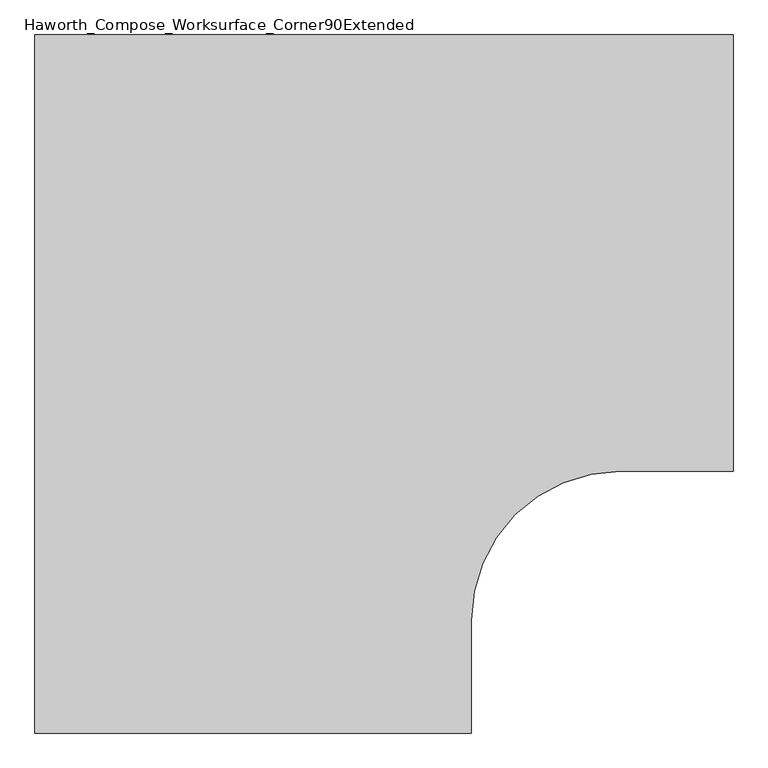
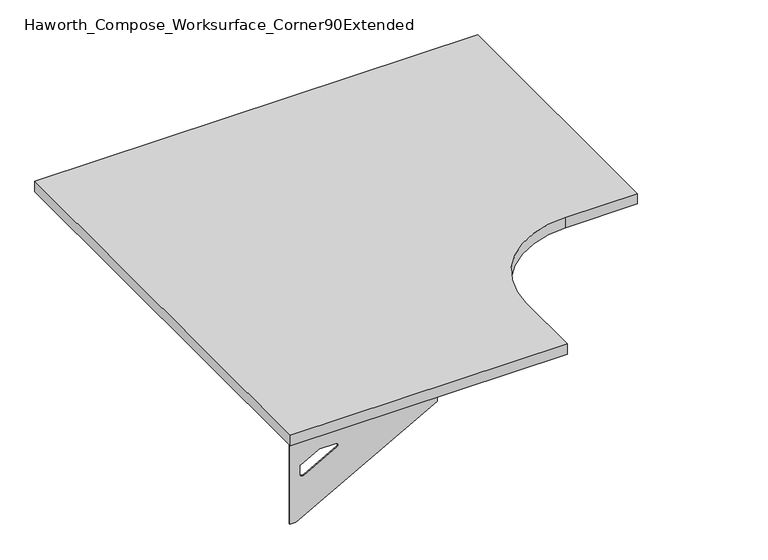
"""IFC4 building model written with IfcOpenShell, lengths in millimetres: furniture geometry, Haworth_Compose_Worksurface_Corner90Extended."""

from ifc_helpers import new_model, si_unit, point, frame, frame_2d, origin, place, context, project, spatial, polyline, circle_curve, trimmed, segment, composite_curve, outline, extrude, source, transform, mapped, element, save
from ifc_brep_helpers import plane_surface, revolved_surface, advanced_brep


def haworth_compose_worksurface_corner90extended_9c84bb28(model_context):
    return source(origin(), model_context, "Body", "SolidModel", [
        advanced_brep(
        [(756.44375, 228.6, 475.45625), (756.44375, 212.725, 475.45625), (756.44375, -177.8, 691.7192568), (756.44375, -177.8, 704.05625), (756.44375, 212.725, 704.05625), (756.44375, 228.6, 704.05625), (756.44375, 145.290072, 665.95625), (756.44375, 101.6355284, 665.95625), (756.44375, 98.9564235, 656.3705539), (756.44375, 190.6776173, 605.5776439), (756.44375, 200.025, 611.1756969), (756.44375, 200.025, 634.6860246), (756.44375, 198.2730055, 637.5242776), (756.44375, 148.3663437, 665.1613425), (758.825, 228.6, 475.45625), (758.825, 228.6, 704.05625), (758.825, 212.725, 704.05625), (758.825, 212.725, 706.4375), (758.825, -177.8, 706.4375), (758.825, -177.8, 691.7192568), (758.825, 212.725, 475.45625), (758.825, 145.290072, 665.95625), (758.825, 148.3663437, 665.1613425), (758.825, 198.2730055, 637.5242776), (758.825, 200.025, 634.6860246), (758.825, 200.025, 611.1756969), (758.825, 190.6776173, 605.5776439), (758.825, 98.9564235, 656.3705539), (758.825, 101.6355284, 665.95625), (717.55, -177.8, 706.4375), (717.55, -177.8, 704.05625), (717.55, 212.725, 704.05625), (717.55, 212.725, 706.4375)],
        [
            (0, 1),
            (1, 2),
            (2, 3),
            (3, 4),
            (4, 5),
            (5, 0),
            (6, 7),
            (7, 8, circle_curve(frame((756.44375, 101.6355284, 660.7890106), z_axis=(1.0, 0.0, 0.0), x_axis=(0.0, -1.0, 0.0)), 5.1672394)),
            (8, 9),
            (9, 10, circle_curve(frame((756.44375, 193.675, 611.1756969), z_axis=(1.0, 0.0, 0.0), x_axis=(0.0, -1.0, 0.0)), 6.35)),
            (10, 11),
            (11, 12, circle_curve(frame((756.44375, 196.85, 634.6860246), z_axis=(1.0, 0.0, 0.0), x_axis=(0.0, -1.0, 0.0)), 3.175)),
            (12, 13),
            (13, 6, circle_curve(frame((756.44375, 145.290072, 659.60625), z_axis=(1.0, 0.0, 0.0), x_axis=(0.0, -1.0, 0.0)), 6.35)),
            (14, 15),
            (15, 16),
            (16, 17),
            (17, 18),
            (18, 19),
            (19, 20),
            (20, 14),
            (21, 22, circle_curve(frame((758.825, 145.290072, 659.60625), z_axis=(-1.0, 0.0, 0.0), x_axis=(0.0, -1.0, 0.0)), 6.35)),
            (22, 23),
            (23, 24, circle_curve(frame((758.825, 196.85, 634.6860246), z_axis=(-1.0, 0.0, 0.0), x_axis=(0.0, -1.0, 0.0)), 3.175)),
            (24, 25),
            (25, 26, circle_curve(frame((758.825, 193.675, 611.1756969), z_axis=(-1.0, 0.0, 0.0), x_axis=(0.0, -1.0, 0.0)), 6.35)),
            (26, 27),
            (27, 28, circle_curve(frame((758.825, 101.6355284, 660.7890106), z_axis=(-1.0, 0.0, 0.0), x_axis=(0.0, -1.0, 0.0)), 5.1672394)),
            (28, 21),
            (4, 16),
            (15, 5),
            (14, 0),
            (20, 1),
            (19, 2),
            (18, 29),
            (29, 30),
            (30, 3),
            (6, 21),
            (28, 7),
            (9, 26),
            (25, 10),
            (24, 11),
            (23, 12),
            (27, 8),
            (31, 4),
            (30, 31),
            (32, 29),
            (17, 32),
            (31, 32),
            (22, 13),
        ],
        [
            plane_surface(frame((756.44375, 228.6, 475.45625), z_axis=(-1.0, 0.0, 0.0), x_axis=(0.0, 1.0, 0.0))),
            plane_surface(frame((758.825, 228.6, 475.45625), z_axis=(1.0, 0.0, 0.0), x_axis=(0.0, -1.0, 0.0))),
            plane_surface(frame((758.825, -177.8, 704.05625), z_axis=(0.0, 0.0, 1.0), x_axis=(-1.0, 0.0, 0.0))),
            plane_surface(frame((758.825, 228.6, 704.05625), z_axis=(0.0, 1.0, 0.0), x_axis=(-1.0, 0.0, 0.0))),
            plane_surface(frame((758.825, 228.6, 475.45625), z_axis=(0.0, 0.0, -1.0), x_axis=(-1.0, 0.0, 0.0))),
            plane_surface(frame((758.825, 212.725, 475.45625), z_axis=(0.0, -0.4844522351345575, -0.8748177135112957), x_axis=(-1.0, 0.0, 0.0))),
            plane_surface(frame((758.825, -177.8, 691.7192568), z_axis=(0.0, -1.0, 0.0), x_axis=(-1.0, 0.0, 0.0))),
            plane_surface(frame((758.825, 145.290072, 665.95625), z_axis=(0.0, 0.0, -1.0), x_axis=(-1.0, 0.0, 0.0))),
            revolved_surface(polyline([(756.44375, 187.32500000000002, 611.1756969), (758.825, 187.32500000000002, 611.1756969)]), (758.825, 193.675, 611.1756969), (-1.0, 0.0, 0.0)),
            plane_surface(frame((758.825, 200.025, 611.1756969), z_axis=(0.0, -1.0, 0.0), x_axis=(-1.0, 0.0, 0.0))),
            revolved_surface(polyline([(756.44375, 193.67499999999998, 634.6860246), (758.825, 193.67499999999998, 634.6860246)]), (758.825, 196.85, 634.6860246), (-1.0, 0.0, 0.0)),
            revolved_surface(polyline([(756.44375, 96.468289, 660.7890106), (758.825, 96.468289, 660.7890106)]), (758.825, 101.6355284, 660.7890106), (-1.0, 0.0, 0.0)),
            plane_surface(frame((758.825, 212.725, 704.05625), z_axis=(0.0, 0.0, -1.0), x_axis=(-1.0, 0.0, 0.0))),
            plane_surface(frame((758.825, 212.725, 706.4375), z_axis=(0.0, 0.0, 1.0), x_axis=(1.0, 0.0, 0.0))),
            plane_surface(frame((717.55, 212.725, 706.4375), z_axis=(0.0, 1.0, 0.0), x_axis=(0.0, 0.0, -1.0))),
            plane_surface(frame((717.55, -177.8, 706.4375), z_axis=(-1.0, 0.0, 0.0), x_axis=(0.0, 0.0, -1.0))),
            plane_surface(frame((758.825, 98.9564235, 656.3705539), z_axis=(0.0, 0.4844522351341526, 0.8748177135115199), x_axis=(-1.0, 0.0, 0.0))),
            plane_surface(frame((758.825, 198.2730055, 637.5242776), z_axis=(0.0, -0.48445223513456226, -0.874817713511293), x_axis=(-1.0, 0.0, 0.0))),
            revolved_surface(polyline([(756.44375, 138.94007200000001, 659.60625), (758.825, 138.94007200000001, 659.60625)]), (758.825, 145.290072, 659.60625), (-1.0, 0.0, 0.0)),
        ],
        [
            (0, [[1, 2, 3, 4, 5, 6], [7, 8, 9, 10, 11, 12, 13, 14]]),
            (1, [[15, 16, 17, 18, 19, 20, 21], [22, 23, 24, 25, 26, 27, 28, 29]]),
            (2, [[-5, 30, -16, 31]]),
            (3, [[-31, -15, 32, -6]]),
            (4, [[-32, -21, 33, -1]]),
            (5, [[-33, -20, 34, -2]]),
            (6, [[-34, -19, 35, 36, 37, -3]]),
            (7, [[38, -29, 39, -7]]),
            (8, [[40, -26, 41, -10]]),
            (9, [[-41, -25, 42, -11]]),
            (10, [[-42, -24, 43, -12]]),
            (11, [[-39, -28, 44, -8]]),
            (12, [[45, -4, -37, 46]]),
            (13, [[47, -35, -18, 48]]),
            (14, [[-17, -30, -45, 49, -48]]),
            (15, [[-36, -47, -49, -46]]),
            (16, [[-44, -27, -40, -9]]),
            (17, [[-43, -23, 50, -13]]),
            (18, [[-50, -22, -38, -14]]),
        ],
    ),
        advanced_brep(
        [(-457.2, -985.04375, 475.45625), (-457.2, -985.04375, 704.05625), (-441.325, -985.04375, 704.05625), (-50.8, -985.04375, 704.05625), (-50.8, -985.04375, 691.7192568), (-441.325, -985.04375, 475.45625), (-373.890072, -985.04375, 665.95625), (-376.9663437, -985.04375, 665.1613425), (-426.8730055, -985.04375, 637.5242776), (-428.625, -985.04375, 634.6860246), (-428.625, -985.04375, 611.1756969), (-419.2776173, -985.04375, 605.5776439), (-327.5564235, -985.04375, 656.3705539), (-330.2355284, -985.04375, 665.95625), (-457.2, -987.425, 475.45625), (-441.325, -987.425, 475.45625), (-50.8, -987.425, 691.7192568), (-50.8, -987.425, 706.4375), (-441.325, -987.425, 706.4375), (-441.325, -987.425, 704.05625), (-457.2, -987.425, 704.05625), (-373.890072, -987.425, 665.95625), (-330.2355284, -987.425, 665.95625), (-327.5564235, -987.425, 656.3705539), (-419.2776173, -987.425, 605.5776439), (-428.625, -987.425, 611.1756969), (-428.625, -987.425, 634.6860246), (-426.8730055, -987.425, 637.5242776), (-376.9663437, -987.425, 665.1613425), (-50.8, -946.15, 704.05625), (-50.8, -946.15, 706.4375), (-441.325, -946.15, 704.05625), (-441.325, -946.15, 706.4375)],
        [
            (0, 1),
            (1, 2),
            (2, 3),
            (3, 4),
            (4, 5),
            (5, 0),
            (6, 7, circle_curve(frame((-373.890072, -985.04375, 659.60625), z_axis=(0.0, -1.0, 0.0), x_axis=(1.0, 0.0, 0.0)), 6.35)),
            (7, 8),
            (8, 9, circle_curve(frame((-425.45, -985.04375, 634.6860246), z_axis=(0.0, -1.0, 0.0), x_axis=(1.0, 0.0, 0.0)), 3.175)),
            (9, 10),
            (10, 11, circle_curve(frame((-422.275, -985.04375, 611.1756969), z_axis=(0.0, -1.0, 0.0), x_axis=(1.0, 0.0, 0.0)), 6.35)),
            (11, 12),
            (12, 13, circle_curve(frame((-330.2355284, -985.04375, 660.7890106), z_axis=(0.0, -1.0, 0.0), x_axis=(1.0, 0.0, 0.0)), 5.1672394)),
            (13, 6),
            (14, 15),
            (15, 16),
            (16, 17),
            (17, 18),
            (18, 19),
            (19, 20),
            (20, 14),
            (21, 22),
            (22, 23, circle_curve(frame((-330.2355284, -987.425, 660.7890106), z_axis=(0.0, 1.0, 0.0), x_axis=(1.0, 0.0, 0.0)), 5.1672394)),
            (23, 24),
            (24, 25, circle_curve(frame((-422.275, -987.425, 611.1756969), z_axis=(0.0, 1.0, 0.0), x_axis=(1.0, 0.0, 0.0)), 6.35)),
            (25, 26),
            (26, 27, circle_curve(frame((-425.45, -987.425, 634.6860246), z_axis=(0.0, 1.0, 0.0), x_axis=(1.0, 0.0, 0.0)), 3.175)),
            (27, 28),
            (28, 21, circle_curve(frame((-373.890072, -987.425, 659.60625), z_axis=(0.0, 1.0, 0.0), x_axis=(1.0, 0.0, 0.0)), 6.35)),
            (1, 20),
            (19, 2),
            (0, 14),
            (5, 15),
            (4, 16),
            (3, 29),
            (29, 30),
            (30, 17),
            (13, 22),
            (21, 6),
            (10, 25),
            (24, 11),
            (9, 26),
            (8, 27),
            (12, 23),
            (31, 29),
            (2, 31),
            (32, 18),
            (30, 32),
            (32, 31),
            (7, 28),
        ],
        [
            plane_surface(frame((-457.2, -985.04375, 475.45625), z_axis=(0.0, 1.0, 0.0), x_axis=(-1.0, 0.0, 0.0))),
            plane_surface(frame((-457.2, -987.425, 475.45625), z_axis=(0.0, -1.0, 0.0), x_axis=(1.0, 0.0, 0.0))),
            plane_surface(frame((-50.8, -987.425, 704.05625), z_axis=(0.0, 0.0, 1.0), x_axis=(0.0, 1.0, 0.0))),
            plane_surface(frame((-457.2, -987.425, 704.05625), z_axis=(-1.0, 0.0, 0.0), x_axis=(0.0, 1.0, 0.0))),
            plane_surface(frame((-457.2, -987.425, 475.45625), z_axis=(0.0, 0.0, -1.0), x_axis=(0.0, 1.0, 0.0))),
            plane_surface(frame((-441.325, -987.425, 475.45625), z_axis=(0.4844522351345575, 0.0, -0.8748177135112957), x_axis=(0.0, 1.0, 0.0))),
            plane_surface(frame((-50.8, -987.425, 691.7192568), z_axis=(1.0, 0.0, 0.0), x_axis=(0.0, 1.0, 0.0))),
            plane_surface(frame((-373.890072, -987.425, 665.95625), z_axis=(0.0, 0.0, -1.0), x_axis=(0.0, 1.0, 0.0))),
            revolved_surface(polyline([(-415.92499999999995, -985.04375, 611.1756969), (-415.92499999999995, -987.425, 611.1756969)]), (-422.275, -987.425, 611.1756969), (0.0, 1.0, 0.0)),
            plane_surface(frame((-428.625, -987.425, 611.1756969), z_axis=(1.0, 0.0, 0.0), x_axis=(0.0, 1.0, 0.0))),
            revolved_surface(polyline([(-422.275, -985.04375, 634.6860246), (-422.275, -987.425, 634.6860246)]), (-425.45, -987.425, 634.6860246), (0.0, 1.0, 0.0)),
            revolved_surface(polyline([(-325.06828900000005, -985.04375, 660.7890106), (-325.06828900000005, -987.425, 660.7890106)]), (-330.2355284, -987.425, 660.7890106), (0.0, 1.0, 0.0)),
            plane_surface(frame((-441.325, -987.425, 704.05625), z_axis=(0.0, 0.0, -1.0), x_axis=(0.0, 1.0, 0.0))),
            plane_surface(frame((-441.325, -987.425, 706.4375), z_axis=(0.0, 0.0, 1.0), x_axis=(0.0, -1.0, 0.0))),
            plane_surface(frame((-441.325, -946.15, 706.4375), z_axis=(-1.0, 0.0, 0.0), x_axis=(0.0, 0.0, -1.0))),
            plane_surface(frame((-50.8, -946.15, 706.4375), z_axis=(0.0, 1.0, 0.0), x_axis=(0.0, 0.0, -1.0))),
            plane_surface(frame((-327.5564235, -987.425, 656.3705539), z_axis=(-0.4844522351341526, 0.0, 0.8748177135115199), x_axis=(0.0, 1.0, 0.0))),
            plane_surface(frame((-426.8730055, -987.425, 637.5242776), z_axis=(0.48445223513456226, 0.0, -0.874817713511293), x_axis=(0.0, 1.0, 0.0))),
            revolved_surface(polyline([(-367.54007199999995, -985.04375, 659.60625), (-367.54007199999995, -987.425, 659.60625)]), (-373.890072, -987.425, 659.60625), (0.0, 1.0, 0.0)),
        ],
        [
            (0, [[1, 2, 3, 4, 5, 6], [7, 8, 9, 10, 11, 12, 13, 14]]),
            (1, [[15, 16, 17, 18, 19, 20, 21], [22, 23, 24, 25, 26, 27, 28, 29]]),
            (2, [[30, -20, 31, -2]]),
            (3, [[-1, 32, -21, -30]]),
            (4, [[-6, 33, -15, -32]]),
            (5, [[-5, 34, -16, -33]]),
            (6, [[-4, 35, 36, 37, -17, -34]]),
            (7, [[-14, 38, -22, 39]]),
            (8, [[-11, 40, -25, 41]]),
            (9, [[-10, 42, -26, -40]]),
            (10, [[-9, 43, -27, -42]]),
            (11, [[-13, 44, -23, -38]]),
            (12, [[45, -35, -3, 46]]),
            (13, [[47, -18, -37, 48]]),
            (14, [[-47, 49, -46, -31, -19]]),
            (15, [[-45, -49, -48, -36]]),
            (16, [[-12, -41, -24, -44]]),
            (17, [[-8, 50, -28, -43]]),
            (18, [[-7, -39, -29, -50]]),
        ],
    ),
        extrude(outline(composite_curve([segment(polyline([(-457.2, 228.6), (762.0, 228.6), (762.0, -533.4), (565.15, -533.4)]), True, "CONTINUOUS"), segment(trimmed(circle_curve(frame_2d((565.15, -793.75)), 260.35), [point((565.15, -533.4))], [point((304.8, -793.75))], True, "CARTESIAN"), True, "CONTINUOUS"), segment(polyline([(304.8, -793.75), (304.8, -990.6), (-457.2, -990.6), (-457.2, 228.6)]), True, "CONTINUOUS")], self_intersect=False)), frame((0.0, 0.0, 706.4375), z_axis=(0.0, 0.0, 1.0), x_axis=(1.0, 0.0, 0.0)), (0.0, 0.0, 1.0), 30.1625),
    ])


if __name__ == "__main__":
    model = new_model("IFC4")
    model_context = context("Model", 3, world=origin())
    ifc_project = project(units=[si_unit("LENGTHUNIT", "METRE", prefix="MILLI")], contexts=[model_context])
    site = spatial("IfcSite", under=ifc_project)
    building = spatial("IfcBuilding", under=site)
    placement = place(None, origin())
    haworth_compose_worksurface_corner90extended_shape = haworth_compose_worksurface_corner90extended_9c84bb28(model_context)
    element("IfcFurniture", 1, ObjectType="Haworth_Compose_Worksurface_Corner90Extended", at=placement, inside=building, context=model_context, shape_type="MappedRepresentation", body=[
        mapped(haworth_compose_worksurface_corner90extended_shape, transform((0.0, 0.0, 0.0), x_axis=(1.0, 0.0, 0.0), y_axis=(0.0, 1.0, 0.0), z_axis=(0.0, 0.0, 1.0))),
    ])
    save(model, "model.ifc")
